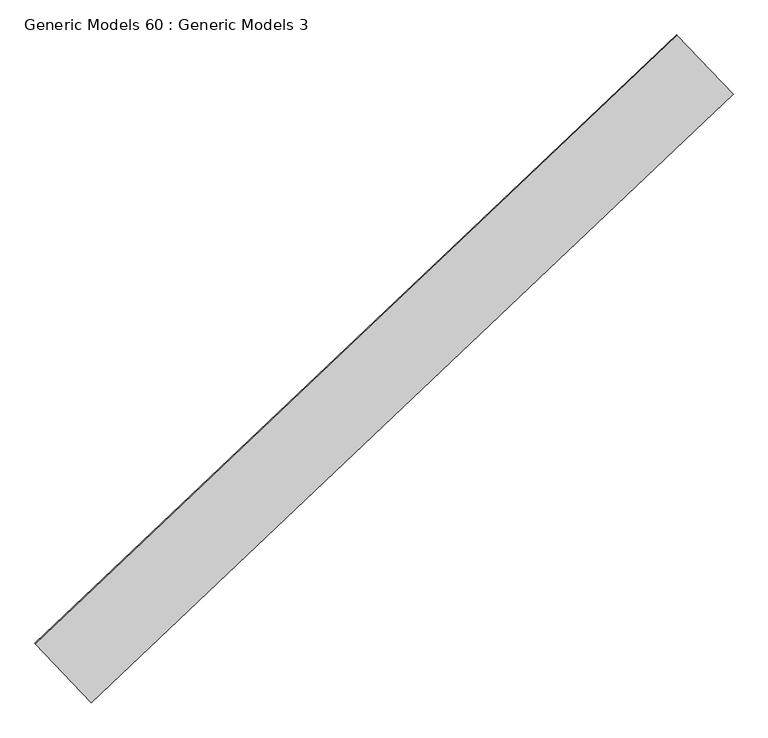
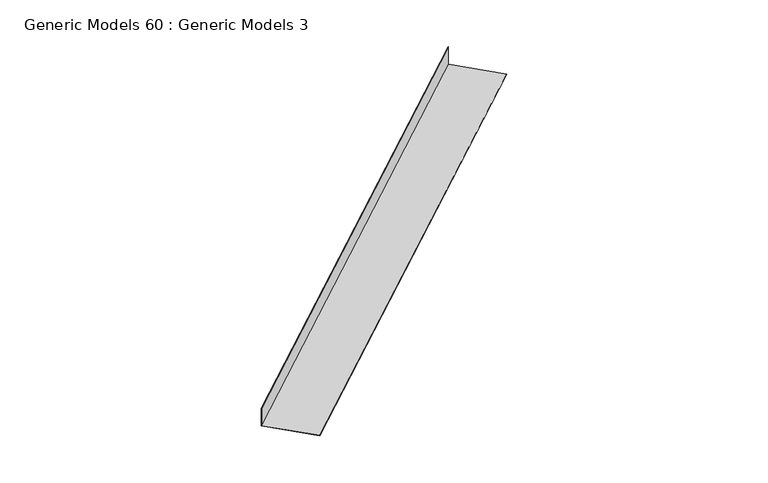
"""IFC4 building model written with IfcOpenShell, lengths in millimetres: proxy geometry, Generic Models 60 : Generic Models 3."""

from ifc_helpers import new_model, si_unit, frame, origin, place, context, project, spatial, polyline, outline, extrude, source, transform, mapped, element, save


def generic_models_60_generic_models_3_5d6fd9a9(model_context):
    return source(origin(), model_context, "Body", "SweptSolid", [
        extrude(outline(polyline([(6.35, 0.0), (6.35, -146.704326), (-414.2410072, -146.704326), (-414.2410072, -145.116826), (4.7625, -145.116826), (4.7625, 0.0), (6.35, 0.0)])), frame((108259.4907522, 48345.8170852, 18157.1595935), z_axis=(0.7253743710122987, 0.6883545756937425, 0.0), x_axis=(-0.6883545756937425, 0.7253743710122987, 0.0)), (0.0, 0.0, 1.0), 4530.725),
    ])


if __name__ == "__main__":
    model = new_model("IFC4")
    model_context = context("Model", 3, world=origin())
    ifc_project = project(units=[si_unit("LENGTHUNIT", "METRE", prefix="MILLI")], contexts=[model_context])
    site = spatial("IfcSite", under=ifc_project)
    building = spatial("IfcBuilding", under=site)
    placement = place(None, origin())
    generic_models_60_generic_models_3_shape = generic_models_60_generic_models_3_5d6fd9a9(model_context)
    element("IfcBuildingElementProxy", 1, Name="Generic Models 60 : Generic Models 3", ObjectType="Generic Models 60 : Generic Models 3", at=placement, inside=building, context=model_context, shape_type="MappedRepresentation", body=[
        mapped(generic_models_60_generic_models_3_shape, transform((0.0, 0.0, 0.0), x_axis=(1.0, 0.0, 0.0), y_axis=(0.0, 1.0, 0.0), z_axis=(0.0, 0.0, 1.0))),
    ])
    save(model, "model.ifc")
